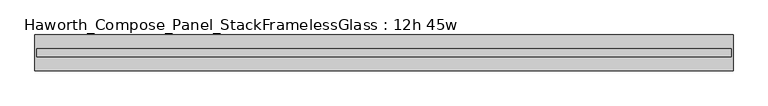
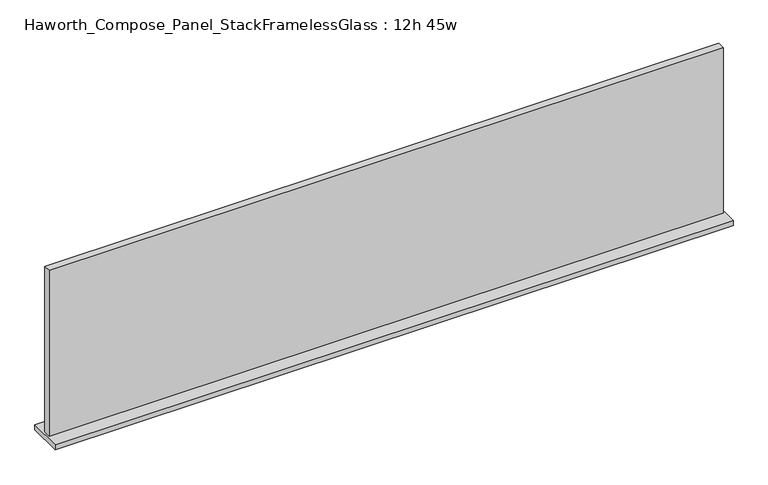
"""IFC4 building model written with IfcOpenShell, lengths in millimetres: furniture geometry, Haworth_Compose_Panel_StackFramelessGlass : 12h 45w."""

from ifc_helpers import new_model, si_unit, frame, origin, place, context, project, spatial, polyline, outline, extrude, source, transform, mapped, element, save


def haworth_compose_panel_stackframelessglass_12h_45w_8dde9645(model_context):
    return source(origin(), model_context, "Body", "SweptSolid", [
        extrude(outline(polyline([(570.7652902, -27.3093594), (-565.8847098, -27.3093594), (-565.8847098, -14.6093594), (570.7652902, -14.6093594), (570.7652902, -27.3093594)])), frame((0.0, 0.0, 1279.525), z_axis=(0.0, 0.0, 1.0), x_axis=(1.0, 0.0, 0.0)), (0.0, 0.0, 1.0), 295.275),
        extrude(outline(polyline([(-569.0597098, -50.3281094), (-569.0597098, 8.4093906), (573.9402902, 8.4093906), (573.9402902, -50.3281094), (-569.0597098, -50.3281094)])), frame((0.0, 0.0, 1270.0), z_axis=(0.0, 0.0, 1.0), x_axis=(1.0, 0.0, 0.0)), (0.0, 0.0, 1.0), 9.525),
    ])


if __name__ == "__main__":
    model = new_model("IFC4")
    model_context = context("Model", 3, world=origin())
    ifc_project = project(units=[si_unit("LENGTHUNIT", "METRE", prefix="MILLI")], contexts=[model_context])
    site = spatial("IfcSite", under=ifc_project)
    building = spatial("IfcBuilding", under=site)
    placement = place(None, origin())
    haworth_compose_panel_stackframelessglass_12h_45w_shape = haworth_compose_panel_stackframelessglass_12h_45w_8dde9645(model_context)
    element("IfcFurniture", 1, ObjectType="Haworth_Compose_Panel_StackFramelessGlass : 12h 45w", at=placement, inside=building, context=model_context, shape_type="MappedRepresentation", body=[
        mapped(haworth_compose_panel_stackframelessglass_12h_45w_shape, transform((0.0, 0.0, 0.0), x_axis=(1.0, 0.0, 0.0), y_axis=(0.0, 1.0, 0.0), z_axis=(0.0, 0.0, 1.0))),
    ])
    save(model, "model.ifc")
